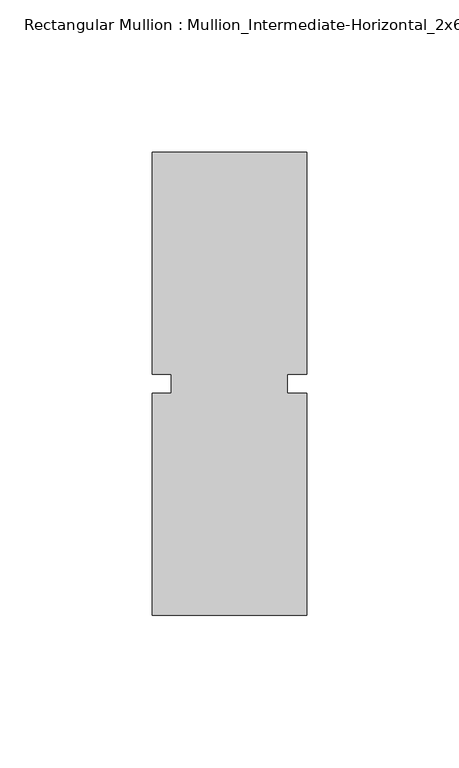
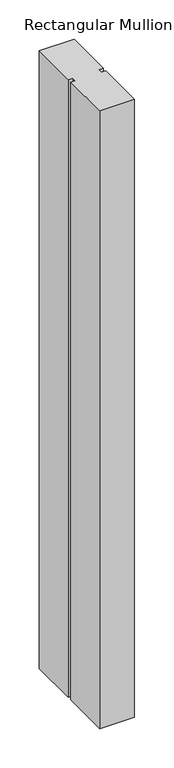
"""IFC4 building model written with IfcOpenShell, lengths in millimetres: member geometry, Rectangular Mullion : Mullion_Intermediate-Horizontal_2x6_Kawneer."""

from ifc_helpers import new_model, si_unit, frame, origin, place, context, project, spatial, polyline, outline, extrude, source, transform, mapped, element, save


def rectangular_mullion_mullion_intermediate_horizontal_2x6_90945cf6(model_context):
    return source(origin(), model_context, "Body", "SweptSolid", [
        extrude(outline(polyline([(25.4, -76.2), (-25.4, -76.2), (-25.4, -3.175), (-19.05, -3.175), (-19.05, 3.175), (-25.4, 3.175), (-25.4, 76.2), (25.4, 76.2), (25.4, 3.175), (19.05, 3.175), (19.05, -3.175), (25.4, -3.175), (25.4, -76.2)])), frame((0.0, 0.0, -955.04), z_axis=(0.0, 0.0, 1.0), x_axis=(1.0, 0.0, 0.0)), (0.0, 0.0, 1.0), 955.04),
    ])


if __name__ == "__main__":
    model = new_model("IFC4")
    model_context = context("Model", 3, world=origin())
    ifc_project = project(units=[si_unit("LENGTHUNIT", "METRE", prefix="MILLI")], contexts=[model_context])
    site = spatial("IfcSite", under=ifc_project)
    building = spatial("IfcBuilding", under=site)
    placement = place(None, origin())
    rectangular_mullion_mullion_intermediate_horizontal_2x6_shape = rectangular_mullion_mullion_intermediate_horizontal_2x6_90945cf6(model_context)
    element("IfcMember", 1, ObjectType="Rectangular Mullion : Mullion_Intermediate-Horizontal_2x6_Kawneer", at=placement, inside=building, context=model_context, shape_type="MappedRepresentation", body=[
        mapped(rectangular_mullion_mullion_intermediate_horizontal_2x6_shape, transform((0.0, 0.0, 0.0), x_axis=(1.0, 0.0, 0.0), y_axis=(0.0, 1.0, 0.0), z_axis=(0.0, 0.0, 1.0))),
    ])
    save(model, "model.ifc")
